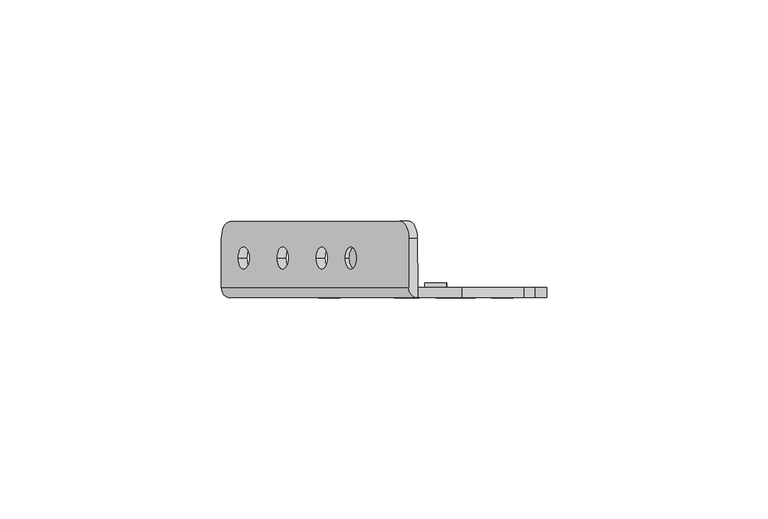
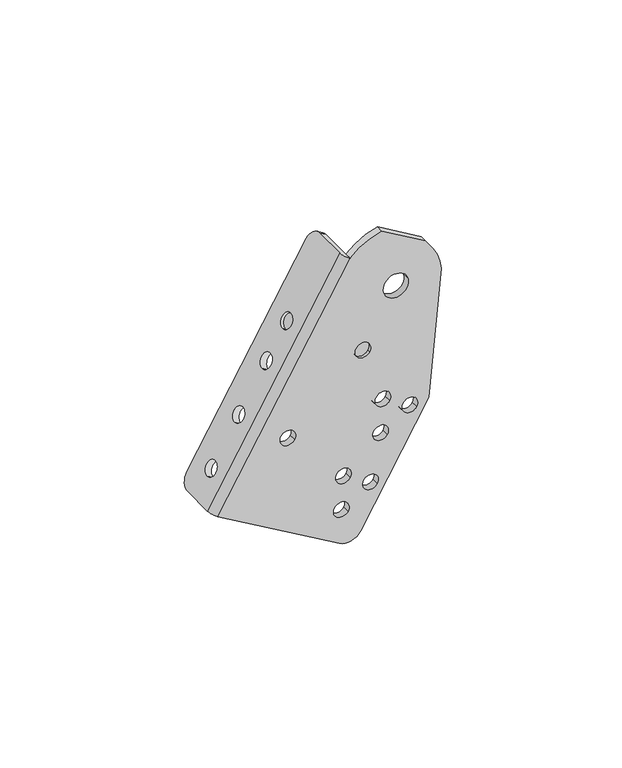
"""IFC4 building model written with IfcOpenShell, lengths in millimetres: proxy geometry."""

from ifc_helpers import new_model, si_unit, frame, origin, place, context, project, spatial, polyline, circle_curve, source, transform, mapped, element, save
from ifc_brep_helpers import plane_surface, cylinder_surface, revolved_surface, advanced_brep


def mechanical_equipment_2e1f98f2(model_context):
    return source(origin(), model_context, "Body", "AdvancedBrep", [
        advanced_brep(
        [(-39.3023248, 12.2834534, -6.9598026), (-41.300567, 16.2499985, -10.3862451), (-79.5968302, 16.2499985, -76.0539322), (-81.611676, 12.196215, -79.5088452), (-81.611676, 1.2499985, -79.5088452), (-39.2946619, 1.2499985, -6.9466628), (-77.8333711, 7.953236, -73.0300789), (-75.3145012, 7.953236, -68.7109014), (-69.0173265, 7.953236, -57.9129576), (-66.4984566, 7.953236, -53.5937801), (-60.2012819, 7.953236, -42.7958363), (-57.682412, 7.953236, -38.4766587), (-53.6522202, 7.9499985, -31.5659747), (-51.1333503, 7.9499985, -27.2467972), (-79.6248543, 12.196215, -80.6675254), (-77.6100086, 16.1957184, -77.2126123), (-39.3137453, 16.2499985, -11.5449252), (-37.3155031, 12.2834534, -8.1184828), (-37.3078402, 1.2499985, -8.1053429), (-79.6248543, 1.2499985, -80.6675254), (-75.8465495, 7.953236, -74.1887591), (-73.3276796, 7.953236, -69.8695816), (-67.0305049, 7.953236, -59.0716377), (-64.511635, 7.953236, -54.7524602), (-58.2144603, 7.953236, -43.9545164), (-55.6955904, 7.953236, -39.6353389), (-49.1465287, 7.9499985, -28.4054773), (-51.6653986, 7.9499985, -32.7246548), (-37.3078402, -1.0500015, -8.1053429), (-40.7522566, 1.2499985, -103.3373543), (-40.7522566, -1.0500015, -103.3373543), (-79.6248543, -1.0500015, -80.6675254), (-52.7883847, 7.9499985, -32.0697487), (-50.2695148, 7.9499985, -27.7505711), (-33.9142091, -1.0500015, -101.5370467), (-12.0424236, -1.0500015, -64.0328766), (-8.1453588, -1.0500015, -21.6214263), (-10.7072967, -1.0500015, -14.1935376), (-13.2139563, -1.0500015, -10.5802027), (-27.1801775, -1.0500015, -2.4353432), (-18.7529936, -1.0500015, -21.4400828), (-26.4893611, -1.0500015, -23.4768984), (-59.363481, -1.0500015, -60.6488444), (-55.0443034, -1.0500015, -63.1677143), (-28.9515487, -1.0500015, -58.1260725), (-24.6323712, -1.0500015, -60.6449424), (-20.3131937, -1.0500015, -63.1638123), (-15.9940162, -1.0500015, -65.6826822), (-29.670111, -1.0500015, -69.2832974), (-25.3509335, -1.0500015, -71.8021673), (-41.5458982, -1.0500015, -79.7219601), (-37.2267206, -1.0500015, -82.24083), (-32.9075431, -1.0500015, -84.7596999), (-28.5883656, -1.0500015, -87.2785698), (-42.2644604, -1.0500015, -90.8791851), (-37.9452829, -1.0500015, -93.398055), (-35.3600196, -1.0500015, -39.3396013), (-31.0408421, -1.0500015, -41.8584712), (-27.1801775, 1.2499985, -2.4353432), (-13.2139563, 1.2499985, -10.5802027), (-10.7072967, 1.2499985, -14.1935376), (-8.1453588, 1.2499985, -21.6214263), (-12.0424236, 1.2499985, -64.0328766), (-33.9142091, 1.2499985, -101.5370467), (-18.7529936, 1.2499985, -21.4400828), (-26.4893611, 1.2499985, -23.4768984), (-59.363481, 1.2499985, -60.6488444), (-55.0443034, 1.2499985, -63.1677143), (-28.9515487, 1.2499985, -58.1260725), (-24.6323712, 1.2499985, -60.6449424), (-20.3131937, 1.2499985, -63.1638123), (-15.9940162, 1.2499985, -65.6826822), (-29.670111, 1.2499985, -69.2832974), (-25.3509335, 1.2499985, -71.8021673), (-41.5458982, 1.2499985, -79.7219601), (-37.2267206, 1.2499985, -82.24083), (-32.9075431, 1.2499985, -84.7596999), (-28.5883656, 1.2499985, -87.2785698), (-42.2644604, 1.2499985, -90.8791851), (-37.9452829, 1.2499985, -93.398055), (-30.782816, 1.2499985, -39.9625313), (-35.3600196, 1.2499985, -39.3396013), (-35.6180457, 1.2499985, -41.2355411), (-31.0408421, 1.2499985, -41.8584712), (-30.782816, -0.0500015, -39.9625313), (-35.3600196, -0.0500015, -39.3396013), (-35.6180457, -0.0500015, -41.2355411), (-31.0408421, -0.0500015, -41.8584712), (-30.782816, 2.2499985, -39.9625313), (-35.6180457, 2.2499985, -41.2355411), (-50.8015631, 7.9499985, -33.2284288), (-48.2826932, 7.9499985, -28.9092513)],
        [
            (0, 1, circle_curve(frame((-41.300567, 12.2834534, -10.3862451), z_axis=(-0.8638355052043949, 0.0, 0.503773977045528), x_axis=(-0.503773977045528, 0.0, -0.8638355052043949)), 3.9665451)),
            (1, 2),
            (2, 3, circle_curve(frame((-79.5968302, 12.196215, -76.0539322), z_axis=(-0.8638355052043949, 0.0, 0.503773977045528), x_axis=(-0.503773977045528, 0.0, -0.8638355052043949)), 3.9995034)),
            (3, 4),
            (4, 5),
            (5, 0),
            (6, 7, circle_curve(frame((-76.5739362, 7.953236, -70.8704902), z_axis=(0.8638355052043948, 0.0, -0.5037739770455281), x_axis=(0.5037739770455281, 0.0, 0.8638355052043948)), 2.5)),
            (7, 6, circle_curve(frame((-76.5739362, 7.953236, -70.8704902), z_axis=(0.8638355052043948, 0.0, -0.5037739770455281), x_axis=(0.5037739770455281, 0.0, 0.8638355052043948)), 2.5)),
            (8, 9, circle_curve(frame((-67.7578916, 7.953236, -55.7533688), z_axis=(0.8638355052043948, 0.0, -0.5037739770455281), x_axis=(0.5037739770455281, 0.0, 0.8638355052043948)), 2.5)),
            (9, 8, circle_curve(frame((-67.7578916, 7.953236, -55.7533688), z_axis=(0.8638355052043948, 0.0, -0.5037739770455281), x_axis=(0.5037739770455281, 0.0, 0.8638355052043948)), 2.5)),
            (10, 11, circle_curve(frame((-58.941847, 7.953236, -40.6362475), z_axis=(0.8638355052043948, 0.0, -0.5037739770455281), x_axis=(0.5037739770455281, 0.0, 0.8638355052043948)), 2.5)),
            (11, 10, circle_curve(frame((-58.941847, 7.953236, -40.6362475), z_axis=(0.8638355052043948, 0.0, -0.5037739770455281), x_axis=(0.5037739770455281, 0.0, 0.8638355052043948)), 2.5)),
            (12, 13, circle_curve(frame((-52.3927853, 7.9499985, -29.4063859), z_axis=(0.8638355052043948, 0.0, -0.5037739770455281), x_axis=(0.5037739770455281, 0.0, 0.8638355052043948)), 2.5)),
            (13, 12, circle_curve(frame((-52.3927853, 7.9499985, -29.4063859), z_axis=(0.8638355052043948, 0.0, -0.5037739770455281), x_axis=(0.5037739770455281, 0.0, 0.8638355052043948)), 2.5)),
            (14, 15, circle_curve(frame((-77.6100086, 12.196215, -77.2126123), z_axis=(0.8638355052043949, 0.0, -0.503773977045528), x_axis=(-0.503773977045528, 0.0, -0.8638355052043949)), 3.9995034)),
            (15, 16),
            (16, 17, circle_curve(frame((-39.3137453, 12.2834534, -11.5449252), z_axis=(0.8638355052043949, 0.0, -0.503773977045528), x_axis=(-0.503773977045528, 0.0, -0.8638355052043949)), 3.9665451)),
            (17, 18),
            (18, 19),
            (19, 14),
            (20, 21, circle_curve(frame((-74.5871145, 7.953236, -72.0291703), z_axis=(-0.8638355052043948, 0.0, 0.5037739770455281), x_axis=(0.5037739770455281, 0.0, 0.8638355052043948)), 2.5)),
            (21, 20, circle_curve(frame((-74.5871145, 7.953236, -72.0291703), z_axis=(-0.8638355052043948, 0.0, 0.5037739770455281), x_axis=(0.5037739770455281, 0.0, 0.8638355052043948)), 2.5)),
            (22, 23, circle_curve(frame((-65.7710699, 7.953236, -56.912049), z_axis=(-0.8638355052043948, 0.0, 0.5037739770455281), x_axis=(0.5037739770455281, 0.0, 0.8638355052043948)), 2.5)),
            (23, 22, circle_curve(frame((-65.7710699, 7.953236, -56.912049), z_axis=(-0.8638355052043948, 0.0, 0.5037739770455281), x_axis=(0.5037739770455281, 0.0, 0.8638355052043948)), 2.5)),
            (24, 25, circle_curve(frame((-56.9550253, 7.953236, -41.7949276), z_axis=(-0.8638355052043948, 0.0, 0.5037739770455281), x_axis=(0.5037739770455281, 0.0, 0.8638355052043948)), 2.5)),
            (25, 24, circle_curve(frame((-56.9550253, 7.953236, -41.7949276), z_axis=(-0.8638355052043948, 0.0, 0.5037739770455281), x_axis=(0.5037739770455281, 0.0, 0.8638355052043948)), 2.5)),
            (26, 27, circle_curve(frame((-50.4059636, 7.9499985, -30.5650661), z_axis=(-0.8638355052043953, 0.0, 0.5037739770455272), x_axis=(0.5037739770455272, 0.0, 0.8638355052043953)), 2.5)),
            (27, 26, circle_curve(frame((-50.4059636, 7.9499985, -30.5650661), z_axis=(-0.8638355052043953, 0.0, 0.5037739770455272), x_axis=(0.5037739770455272, 0.0, 0.8638355052043953)), 2.5)),
            (17, 0),
            (5, 28, circle_curve(frame((-37.3078402, 1.2499985, -8.1053429), z_axis=(0.503773977045528, 0.0, 0.8638355052043949), x_axis=(0.0, -1.0, 0.0)), 2.3)),
            (28, 18),
            (16, 1),
            (15, 2),
            (14, 3),
            (19, 29),
            (29, 30),
            (30, 31),
            (31, 4, circle_curve(frame((-79.6248543, 1.2499985, -80.6675254), z_axis=(-0.503773977045528, 0.0, -0.8638355052043949), x_axis=(0.0, -1.0, 0.0)), 2.3)),
            (6, 20),
            (21, 7),
            (8, 22),
            (23, 9),
            (10, 24),
            (25, 11),
            (12, 32),
            (32, 33, circle_curve(frame((-51.5289498, 7.9499985, -29.9101599), z_axis=(0.8638355052043948, 0.0, -0.5037739770455281), x_axis=(0.5037739770455281, 0.0, 0.8638355052043948)), 2.5)),
            (33, 13),
            (33, 32, circle_curve(frame((-51.5289498, 7.9499985, -29.9101599), z_axis=(0.8638355052043948, 0.0, -0.5037739770455281), x_axis=(0.5037739770455281, 0.0, 0.8638355052043948)), 2.5)),
            (30, 34, circle_curve(frame((-38.2333867, -1.0500015, -99.0181768), z_axis=(0.0, -1.0, 0.0), x_axis=(0.9670459389139441, 0.0, 0.25460194820552456)), 5.0)),
            (34, 35),
            (35, 36),
            (36, 37, circle_curve(frame((-22.6211773, -1.0500015, -22.4584906), z_axis=(0.0, -1.0, 0.0), x_axis=(0.9670459389139441, 0.0, 0.25460194820552456)), 14.5)),
            (37, 38),
            (38, 39),
            (39, 28, circle_curve(frame((-22.6211773, -1.0500015, -22.4584906), z_axis=(0.0, -1.0, 0.0), x_axis=(0.9670459389139441, 0.0, 0.25460194820552456)), 20.5356012)),
            (28, 31),
            (40, 41, circle_curve(frame((-22.6211773, -1.0500015, -22.4584906), z_axis=(0.0, 1.0, 0.0), x_axis=(0.9670459389139441, 0.0, 0.25460194820552456)), 4.0)),
            (41, 40, circle_curve(frame((-22.6211773, -1.0500015, -22.4584906), z_axis=(0.0, 1.0, 0.0), x_axis=(0.9670459389139441, 0.0, 0.25460194820552456)), 4.0)),
            (42, 43, circle_curve(frame((-57.2038922, -1.0500015, -61.9082794), z_axis=(0.0, 1.0, 0.0), x_axis=(0.8638355052043953, 0.0, -0.5037739770455272)), 2.5)),
            (43, 42, circle_curve(frame((-57.2038922, -1.0500015, -61.9082794), z_axis=(0.0, 1.0, 0.0), x_axis=(0.8638355052043953, 0.0, -0.5037739770455272)), 2.5)),
            (44, 45, circle_curve(frame((-26.79196, -1.0500015, -59.3855074), z_axis=(0.0, 1.0, 0.0), x_axis=(0.8638355052043953, 0.0, -0.5037739770455272)), 2.5)),
            (45, 44, circle_curve(frame((-26.79196, -1.0500015, -59.3855074), z_axis=(0.0, 1.0, 0.0), x_axis=(0.8638355052043953, 0.0, -0.5037739770455272)), 2.5)),
            (46, 47, circle_curve(frame((-18.1536049, -1.0500015, -64.4232472), z_axis=(0.0, 1.0, 0.0), x_axis=(0.8638355052043953, 0.0, -0.5037739770455272)), 2.5)),
            (47, 46, circle_curve(frame((-18.1536049, -1.0500015, -64.4232472), z_axis=(0.0, 1.0, 0.0), x_axis=(0.8638355052043953, 0.0, -0.5037739770455272)), 2.5)),
            (48, 49, circle_curve(frame((-27.5105222, -1.0500015, -70.5427324), z_axis=(0.0, 1.0, 0.0), x_axis=(0.8638355052043953, 0.0, -0.5037739770455272)), 2.5)),
            (49, 48, circle_curve(frame((-27.5105222, -1.0500015, -70.5427324), z_axis=(0.0, 1.0, 0.0), x_axis=(0.8638355052043953, 0.0, -0.5037739770455272)), 2.5)),
            (50, 51, circle_curve(frame((-39.3863094, -1.0500015, -80.9813951), z_axis=(0.0, 1.0, 0.0), x_axis=(0.8638355052043953, 0.0, -0.5037739770455272)), 2.5)),
            (51, 50, circle_curve(frame((-39.3863094, -1.0500015, -80.9813951), z_axis=(0.0, 1.0, 0.0), x_axis=(0.8638355052043953, 0.0, -0.5037739770455272)), 2.5)),
            (52, 53, circle_curve(frame((-30.7479543, -1.0500015, -86.0191348), z_axis=(0.0, 1.0, 0.0), x_axis=(0.8638355052043953, 0.0, -0.5037739770455272)), 2.5)),
            (53, 52, circle_curve(frame((-30.7479543, -1.0500015, -86.0191348), z_axis=(0.0, 1.0, 0.0), x_axis=(0.8638355052043953, 0.0, -0.5037739770455272)), 2.5)),
            (54, 55, circle_curve(frame((-40.1048716, -1.0500015, -92.13862), z_axis=(0.0, 1.0, 0.0), x_axis=(0.8638355052043953, 0.0, -0.5037739770455272)), 2.5)),
            (55, 54, circle_curve(frame((-40.1048716, -1.0500015, -92.13862), z_axis=(0.0, 1.0, 0.0), x_axis=(0.8638355052043953, 0.0, -0.5037739770455272)), 2.5)),
            (56, 57, circle_curve(frame((-33.2004308, -1.0500015, -40.5990362), z_axis=(0.0, 1.0, 0.0), x_axis=(0.8638355052043953, 0.0, -0.5037739770455272)), 2.5)),
            (57, 56, circle_curve(frame((-33.2004308, -1.0500015, -40.5990362), z_axis=(0.0, 1.0, 0.0), x_axis=(0.8638355052043953, 0.0, -0.5037739770455272)), 2.5)),
            (18, 58, circle_curve(frame((-22.6211773, 1.2499985, -22.4584906), z_axis=(0.0, 1.0, 0.0), x_axis=(0.9670459389139441, 0.0, 0.25460194820552456)), 20.5356012)),
            (58, 59),
            (59, 60),
            (60, 61, circle_curve(frame((-22.6211773, 1.2499985, -22.4584906), z_axis=(0.0, 1.0, 0.0), x_axis=(0.9670459389139441, 0.0, 0.25460194820552456)), 14.5)),
            (61, 62),
            (62, 63),
            (63, 29, circle_curve(frame((-38.2333867, 1.2499985, -99.0181768), z_axis=(0.0, 1.0, 0.0), x_axis=(0.9670459389139441, 0.0, 0.25460194820552456)), 5.0)),
            (64, 65, circle_curve(frame((-22.6211773, 1.2499985, -22.4584906), z_axis=(0.0, -1.0, 0.0), x_axis=(0.9670459389139441, 0.0, 0.25460194820552456)), 4.0)),
            (65, 64, circle_curve(frame((-22.6211773, 1.2499985, -22.4584906), z_axis=(0.0, -1.0, 0.0), x_axis=(0.9670459389139441, 0.0, 0.25460194820552456)), 4.0)),
            (66, 67, circle_curve(frame((-57.2038922, 1.2499985, -61.9082794), z_axis=(0.0, -1.0, 0.0), x_axis=(0.8638355052043953, 0.0, -0.5037739770455272)), 2.5)),
            (67, 66, circle_curve(frame((-57.2038922, 1.2499985, -61.9082794), z_axis=(0.0, -1.0, 0.0), x_axis=(0.8638355052043953, 0.0, -0.5037739770455272)), 2.5)),
            (68, 69, circle_curve(frame((-26.79196, 1.2499985, -59.3855074), z_axis=(0.0, -1.0, 0.0), x_axis=(0.8638355052043953, 0.0, -0.5037739770455272)), 2.5)),
            (69, 68, circle_curve(frame((-26.79196, 1.2499985, -59.3855074), z_axis=(0.0, -1.0, 0.0), x_axis=(0.8638355052043953, 0.0, -0.5037739770455272)), 2.5)),
            (70, 71, circle_curve(frame((-18.1536049, 1.2499985, -64.4232472), z_axis=(0.0, -1.0, 0.0), x_axis=(0.8638355052043953, 0.0, -0.5037739770455272)), 2.5)),
            (71, 70, circle_curve(frame((-18.1536049, 1.2499985, -64.4232472), z_axis=(0.0, -1.0, 0.0), x_axis=(0.8638355052043953, 0.0, -0.5037739770455272)), 2.5)),
            (72, 73, circle_curve(frame((-27.5105222, 1.2499985, -70.5427324), z_axis=(0.0, -1.0, 0.0), x_axis=(0.8638355052043953, 0.0, -0.5037739770455272)), 2.5)),
            (73, 72, circle_curve(frame((-27.5105222, 1.2499985, -70.5427324), z_axis=(0.0, -1.0, 0.0), x_axis=(0.8638355052043953, 0.0, -0.5037739770455272)), 2.5)),
            (74, 75, circle_curve(frame((-39.3863094, 1.2499985, -80.9813951), z_axis=(0.0, -1.0, 0.0), x_axis=(0.8638355052043953, 0.0, -0.5037739770455272)), 2.5)),
            (75, 74, circle_curve(frame((-39.3863094, 1.2499985, -80.9813951), z_axis=(0.0, -1.0, 0.0), x_axis=(0.8638355052043953, 0.0, -0.5037739770455272)), 2.5)),
            (76, 77, circle_curve(frame((-30.7479543, 1.2499985, -86.0191348), z_axis=(0.0, -1.0, 0.0), x_axis=(0.8638355052043953, 0.0, -0.5037739770455272)), 2.5)),
            (77, 76, circle_curve(frame((-30.7479543, 1.2499985, -86.0191348), z_axis=(0.0, -1.0, 0.0), x_axis=(0.8638355052043953, 0.0, -0.5037739770455272)), 2.5)),
            (78, 79, circle_curve(frame((-40.1048716, 1.2499985, -92.13862), z_axis=(0.0, -1.0, 0.0), x_axis=(0.8638355052043953, 0.0, -0.5037739770455272)), 2.5)),
            (79, 78, circle_curve(frame((-40.1048716, 1.2499985, -92.13862), z_axis=(0.0, -1.0, 0.0), x_axis=(0.8638355052043953, 0.0, -0.5037739770455272)), 2.5)),
            (80, 81, circle_curve(frame((-33.2004308, 1.2499985, -40.5990362), z_axis=(0.0, -1.0, 0.0), x_axis=(0.9670459389139441, 0.0, 0.25460194820552456)), 2.5)),
            (81, 82, circle_curve(frame((-33.2004308, 1.2499985, -40.5990362), z_axis=(0.0, -1.0, 0.0), x_axis=(0.9670459389139441, 0.0, 0.25460194820552456)), 2.5)),
            (82, 83, circle_curve(frame((-33.2004308, 1.2499985, -40.5990362), z_axis=(0.0, -1.0, 0.0), x_axis=(0.9670459389139441, 0.0, 0.25460194820552456)), 2.5)),
            (83, 80, circle_curve(frame((-33.2004308, 1.2499985, -40.5990362), z_axis=(0.0, -1.0, 0.0), x_axis=(0.9670459389139441, 0.0, 0.25460194820552456)), 2.5)),
            (63, 34),
            (62, 35),
            (61, 36),
            (60, 37),
            (59, 38),
            (58, 39),
            (40, 64),
            (65, 41),
            (84, 85, circle_curve(frame((-33.2004308, -0.0500015, -40.5990362), z_axis=(0.0, -1.0, 0.0), x_axis=(0.8638355052043953, 0.0, -0.5037739770455272)), 2.5)),
            (85, 86, circle_curve(frame((-33.2004308, -0.0500015, -40.5990362), z_axis=(0.0, -1.0, 0.0), x_axis=(0.8638355052043953, 0.0, -0.5037739770455272)), 2.5)),
            (86, 87, circle_curve(frame((-33.2004308, -0.0500015, -40.5990362), z_axis=(0.0, -1.0, 0.0), x_axis=(0.8638355052043953, 0.0, -0.5037739770455272)), 2.5)),
            (87, 84, circle_curve(frame((-33.2004308, -0.0500015, -40.5990362), z_axis=(0.0, -1.0, 0.0), x_axis=(0.8638355052043953, 0.0, -0.5037739770455272)), 2.5)),
            (88, 89, circle_curve(frame((-33.2004308, 2.2499985, -40.5990362), z_axis=(0.0, 1.0, 0.0), x_axis=(0.9670459389139441, 0.0, 0.25460194820552456)), 2.5)),
            (89, 88, circle_curve(frame((-33.2004308, 2.2499985, -40.5990362), z_axis=(0.0, 1.0, 0.0), x_axis=(0.9670459389139441, 0.0, 0.25460194820552456)), 2.5)),
            (89, 82),
            (80, 88),
            (90, 91, circle_curve(frame((-49.5421281, 7.9499985, -31.06884), z_axis=(0.8638355052043953, 0.0, -0.5037739770455272), x_axis=(0.5037739770455272, 0.0, 0.8638355052043953)), 2.5)),
            (91, 90, circle_curve(frame((-49.5421281, 7.9499985, -31.06884), z_axis=(0.8638355052043953, 0.0, -0.5037739770455272), x_axis=(0.5037739770455272, 0.0, 0.8638355052043953)), 2.5)),
            (90, 27),
            (26, 91),
            (42, 66),
            (67, 43),
            (44, 68),
            (69, 45),
            (46, 70),
            (71, 47),
            (48, 72),
            (73, 49),
            (50, 74),
            (75, 51),
            (52, 76),
            (77, 53),
            (54, 78),
            (79, 55),
            (56, 85),
            (87, 57),
        ],
        [
            plane_surface(frame((-39.2946619, -1.0593878, -6.9466628), z_axis=(-0.8638355052043948, 0.0, 0.5037739770455281), x_axis=(0.0, 1.0, 0.0))),
            plane_surface(frame((-37.3078402, -1.0593878, -8.1053429), z_axis=(0.8638355052043948, 0.0, -0.5037739770455281), x_axis=(0.0, -1.0, 0.0))),
            plane_surface(frame((-39.2946619, -1.0500015, -6.9466628), z_axis=(0.503773977045528, 0.0, 0.8638355052043949), x_axis=(0.8638355052043949, 0.0, -0.503773977045528))),
            cylinder_surface(frame((-39.3137453, 12.2834534, -11.5449252), z_axis=(-0.8638355052043949, 0.0, 0.503773977045528), x_axis=(-0.503773977045528, 0.0, -0.8638355052043949)), 3.9665451),
            plane_surface(frame((-41.300567, 16.2499985, -10.3862451), z_axis=(0.0, 1.0000000000000002, 0.0), x_axis=(0.8638355052043949, 0.0, -0.503773977045528))),
            cylinder_surface(frame((-77.6100086, 12.196215, -77.2126123), z_axis=(-0.8638355052043949, 0.0, 0.503773977045528), x_axis=(-0.503773977045528, 0.0, -0.8638355052043949)), 3.9995034),
            plane_surface(frame((-81.611676, 12.196215, -79.5088452), z_axis=(-0.5037739770455272, 0.0, -0.8638355052043953), x_axis=(0.8638355052043953, 0.0, -0.5037739770455272))),
            revolved_surface(polyline([(-73.32767955738618, 7.953236, -69.86958153698902), (-75.3145012271922, 7.953236, -68.71090138521453)]), (-74.5871145, 7.953236, -72.0291703), (0.8638355052043948, 0.0, -0.5037739770455281)),
            revolved_surface(polyline([(-64.51163495738618, 7.953236, -54.752460236989016), (-66.49845667070997, 7.953236, -53.593780059835716)]), (-65.7710699, 7.953236, -56.912049), (0.8638355052043948, 0.0, -0.5037739770455281)),
            revolved_surface(polyline([(-55.69559035738618, 7.953236, -39.635338836989014), (-57.68241202719219, 7.953236, -38.47665868521453)]), (-56.9550253, 7.953236, -41.7949276), (0.8638355052043948, 0.0, -0.5037739770455281)),
            revolved_surface(polyline([(-50.26951481150415, 7.9499985, -27.75057116837394), (-51.13335037070998, 7.9499985, -27.246797159835708)]), (-50.4059636, 7.9499985, -30.5650661), (0.8638355052043948, 0.0, -0.5037739770455281)),
            plane_surface(frame((-79.6248543, -1.0500015, -80.6675254), z_axis=(0.0, -1.0000000000000002, 0.0), x_axis=(-0.5037739770455281, 0.0, -0.8638355052043948))),
            plane_surface(frame((-79.6248543, 1.2499985, -80.6675254), z_axis=(0.0, 1.0000000000000002, 0.0), x_axis=(0.5037739770455281, 0.0, 0.8638355052043948))),
            cylinder_surface(frame((-38.2333867, 1.2499985, -99.0181768), z_axis=(0.0, -1.0, 0.0), x_axis=(0.9670459389139441, 0.0, 0.25460194820552456)), 5.0),
            plane_surface(frame((-33.9142091, -1.0500015, -101.5370467), z_axis=(0.8638355052043919, 0.0, -0.503773977045533), x_axis=(0.0, 1.0, 0.0))),
            plane_surface(frame((-12.0424236, -1.0500015, -64.0328766), z_axis=(0.9958049275746619, 0.0, -0.09150161866340206), x_axis=(0.0, 1.0, 0.0))),
            cylinder_surface(frame((-22.6211773, 1.2499985, -22.4584906), z_axis=(0.0, -1.0, 0.0), x_axis=(0.9670459389139441, 0.0, 0.25460194820552456)), 14.5),
            plane_surface(frame((-10.7072967, -1.0500015, -14.1935376), z_axis=(0.8216469379422103, 0.0, 0.569996762596236), x_axis=(0.0, 1.0, 0.0))),
            plane_surface(frame((-13.2139563, -1.0500015, -10.5802027), z_axis=(0.5037739770455247, 0.0, 0.8638355052043968), x_axis=(0.0, 1.0, 0.0))),
            cylinder_surface(frame((-22.6211773, 1.2499985, -22.4584906), z_axis=(0.0, -1.0, 0.0), x_axis=(0.9670459389139441, 0.0, 0.25460194820552456)), 20.5356012),
            revolved_surface(polyline([(-18.75299354434422, 1.2499985, -21.4400828071779), (-18.75299354434422, -1.0500014999999998, -21.4400828071779)]), (-22.6211773, 1.2499985, -22.4584906), (0.0, 1.0, 0.0)),
            plane_surface(frame((-30.782816, -0.0500015, -39.9625313), z_axis=(0.0, -1.0000000000000002, 0.0), x_axis=(-0.25460194820552456, 0.0, 0.9670459389139441))),
            plane_surface(frame((-30.782816, 2.2499985, -39.9625313), z_axis=(0.0, 1.0000000000000002, 0.0), x_axis=(0.25460194820552456, 0.0, -0.9670459389139441))),
            cylinder_surface(frame((-33.2004308, 2.2499985, -40.5990362), z_axis=(0.0, -1.0, 0.0), x_axis=(0.9670459389139441, 0.0, 0.25460194820552456)), 2.5),
            plane_surface(frame((-48.2826932, 7.9499985, -28.9092513), z_axis=(0.8638355052043953, 0.0, -0.5037739770455272), x_axis=(0.0, -1.0, 0.0))),
            plane_surface(frame((-50.2695148, 7.9499985, -27.7505711), z_axis=(-0.8638355052043953, 0.0, 0.5037739770455272), x_axis=(0.0, 1.0, 0.0))),
            cylinder_surface(frame((-51.5289498, 7.9499985, -29.9101599), z_axis=(0.8638355052043953, 0.0, -0.5037739770455272), x_axis=(0.5037739770455272, 0.0, 0.8638355052043953)), 2.5),
            cylinder_surface(frame((-79.6248543, 1.2499985, -80.6675254), z_axis=(0.503773977045528, 0.0, 0.8638355052043949), x_axis=(0.0, -1.0, 0.0)), 2.3),
            revolved_surface(polyline([(-55.04430343698901, 1.2499985, -63.16771434261381), (-55.04430343698901, -1.0500014999999998, -63.16771434261381)]), (-57.2038922, 1.2499985, -61.9082794), (0.0, 1.0, 0.0)),
            revolved_surface(polyline([(-24.632371236989012, 1.2499985, -60.64494234261382), (-24.632371236989012, -1.0500014999999998, -60.64494234261382)]), (-26.79196, 1.2499985, -59.3855074), (0.0, 1.0, 0.0)),
            revolved_surface(polyline([(-15.994016136989012, 1.2499985, -65.68268214261383), (-15.994016136989012, -1.0500014999999998, -65.68268214261383)]), (-18.1536049, 1.2499985, -64.4232472), (0.0, 1.0, 0.0)),
            revolved_surface(polyline([(-25.350933436989013, 1.2499985, -71.80216734261383), (-25.350933436989013, -1.0500014999999998, -71.80216734261383)]), (-27.5105222, 1.2499985, -70.5427324), (0.0, 1.0, 0.0)),
            revolved_surface(polyline([(-37.226720636989015, 1.2499985, -82.24083004261382), (-37.226720636989015, -1.0500014999999998, -82.24083004261382)]), (-39.3863094, 1.2499985, -80.9813951), (0.0, 1.0, 0.0)),
            revolved_surface(polyline([(-28.588365536989013, 1.2499985, -87.27856974261383), (-28.588365536989013, -1.0500014999999998, -87.27856974261383)]), (-30.7479543, 1.2499985, -86.0191348), (0.0, 1.0, 0.0)),
            revolved_surface(polyline([(-37.945282836989016, 1.2499985, -93.39805494261383), (-37.945282836989016, -1.0500014999999998, -93.39805494261383)]), (-40.1048716, 1.2499985, -92.13862), (0.0, 1.0, 0.0)),
            revolved_surface(polyline([(-31.040842036989012, -0.05000150000000003, -41.858471142613816), (-31.040842036989012, -1.0500014999999998, -41.858471142613816)]), (-33.2004308, 1.2499985, -40.5990362), (0.0, 1.0, 0.0)),
        ],
        [
            (0, [[1, 2, 3, 4, 5, 6], [7, 8], [9, 10], [11, 12], [13, 14]]),
            (1, [[15, 16, 17, 18, 19, 20], [21, 22], [23, 24], [25, 26], [27, 28]]),
            (2, [[29, -6, 30, 31, -18]]),
            (3, [[-1, -29, -17, 32]]),
            (4, [[-2, -32, -16, 33]]),
            (5, [[-3, -33, -15, 34]]),
            (6, [[-34, -20, 35, 36, 37, 38, -4]]),
            (7, [[-7, 39, -22, 40]]),
            (7, [[-8, -40, -21, -39]]),
            (8, [[-9, 41, -24, 42]]),
            (8, [[-10, -42, -23, -41]]),
            (9, [[-11, 43, -26, 44]]),
            (9, [[-12, -44, -25, -43]]),
            (10, [[-13, 45, 46, 47]]),
            (10, [[-14, -47, 48, -45]]),
            (11, [[-37, 49, 50, 51, 52, 53, 54, 55, 56], [57, 58], [59, 60], [61, 62], [63, 64], [65, 66], [67, 68], [69, 70], [71, 72], [73, 74]]),
            (12, [[75, 76, 77, 78, 79, 80, 81, -35, -19], [82, 83], [84, 85], [86, 87], [88, 89], [90, 91], [92, 93], [94, 95], [96, 97], [98, 99, 100, 101]]),
            (13, [[-49, -36, -81, 102]]),
            (14, [[-50, -102, -80, 103]]),
            (15, [[-51, -103, -79, 104]]),
            (16, [[-52, -104, -78, 105]]),
            (17, [[-53, -105, -77, 106]]),
            (18, [[-54, -106, -76, 107]]),
            (19, [[-55, -107, -75, -31]]),
            (20, [[-57, 108, -83, 109]]),
            (20, [[-58, -109, -82, -108]]),
            (21, [[110, 111, 112, 113]]),
            (22, [[114, 115]]),
            (23, [[-115, 116, -99, -98, 117]]),
            (23, [[-114, -117, -101, -100, -116]]),
            (24, [[118, 119]]),
            (25, [[-46, -48]]),
            (26, [[-118, 120, -27, 121]]),
            (26, [[-119, -121, -28, -120]]),
            (27, [[-5, -38, -56, -30]]),
            (28, [[-59, 122, -85, 123]]),
            (28, [[-60, -123, -84, -122]]),
            (29, [[-61, 124, -87, 125]]),
            (29, [[-62, -125, -86, -124]]),
            (30, [[-63, 126, -89, 127]]),
            (30, [[-64, -127, -88, -126]]),
            (31, [[-65, 128, -91, 129]]),
            (31, [[-66, -129, -90, -128]]),
            (32, [[-67, 130, -93, 131]]),
            (32, [[-68, -131, -92, -130]]),
            (33, [[-69, 132, -95, 133]]),
            (33, [[-70, -133, -94, -132]]),
            (34, [[-71, 134, -97, 135]]),
            (34, [[-72, -135, -96, -134]]),
            (35, [[-73, 136, -110, -113, 137]]),
            (35, [[-74, -137, -112, -111, -136]]),
        ],
    ),
    ])


if __name__ == "__main__":
    model = new_model("IFC4")
    model_context = context("Model", 3, world=origin())
    ifc_project = project(units=[si_unit("LENGTHUNIT", "METRE", prefix="MILLI")], contexts=[model_context])
    site = spatial("IfcSite", under=ifc_project)
    building = spatial("IfcBuilding", under=site)
    placement = place(None, origin())
    mechanical_equipment_shape = mechanical_equipment_2e1f98f2(model_context)
    element("IfcBuildingElementProxy", 1, Name="Mechanical Equipment", at=placement, inside=building, context=model_context, shape_type="MappedRepresentation", body=[
        mapped(mechanical_equipment_shape, transform((0.0, 0.0, 0.0), x_axis=(1.0, 0.0, 0.0), y_axis=(0.0, 1.0, 0.0), z_axis=(0.0, 0.0, 1.0))),
    ])
    save(model, "model.ifc")
